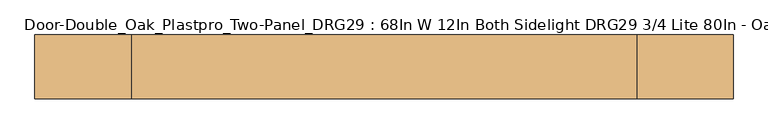
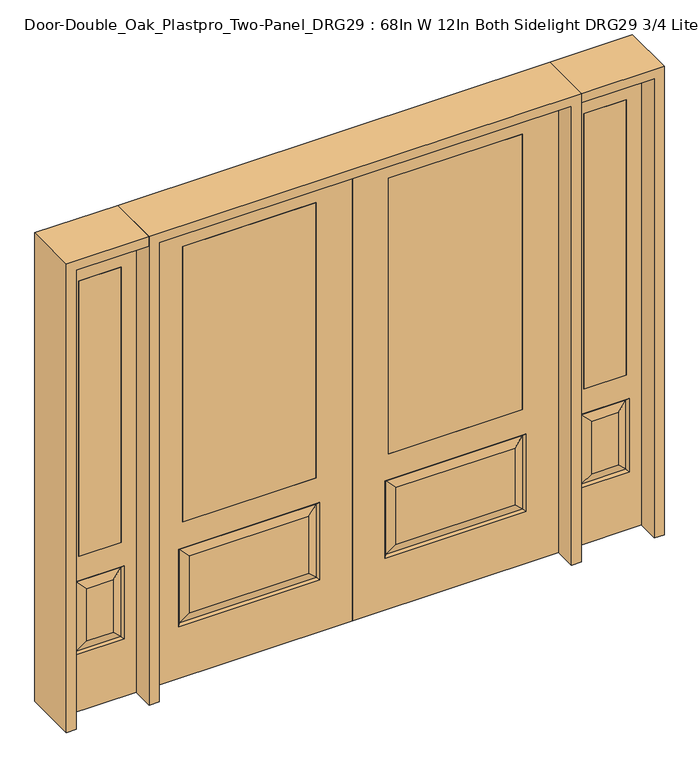
"""IFC4 building model written with IfcOpenShell, lengths in millimetres: door geometry, Door-Double_Oak_Plastpro_Two-Panel_DRG29 : 68In W 12In Both Sidelight DRG29 3/4 Lite 80In - Oak."""

import ifcopenshell
import ifcopenshell.guid

model = None  # the IFC model being written
_history = None  # IfcOwnerHistory: only IFC2X3 demands one
_inside = {}  # id of a spatial element -> (the spatial element, [elements in it])
_under = {}  # id of a project, library or spatial element -> (it, [spatial elements below it])
_declared = {}  # id of a project -> (the project, [libraries it declares])
_typed = {}  # id of a type object -> (the type object, [elements of that type])
_made_of = {}  # id of a material, layer set ... -> (it, [elements and type objects made of it])


def new_model(schema):
    """Start an empty IFC model of exactly this schema.

    Asked for "IFC4X3", IfcOpenShell would pick the latest addendum, in which some entities
    have other attributes; the version numbers below select the first issue.
    IFC2X3 requires an IfcOwnerHistory on every rooted entity: one is made here for all.
    """
    global model, _history
    if schema == "IFC4X3":
        model = ifcopenshell.file(schema_version=(4, 3, 0, 0))
    else:
        model = ifcopenshell.file(schema=schema)
    _inside.clear()
    _under.clear()
    _declared.clear()
    _typed.clear()
    _made_of.clear()
    _history = None
    if model.schema == "IFC2X3":
        org = make("IfcOrganization", Name="unknown")
        user = make(
            "IfcPersonAndOrganization",
            ThePerson=make("IfcPerson", FamilyName="unknown"),
            TheOrganization=org,
        )
        app = make(
            "IfcApplication",
            ApplicationDeveloper=org,
            Version="unknown",
            ApplicationFullName="unknown",
            ApplicationIdentifier="unknown",
        )
        _history = make(
            "IfcOwnerHistory",
            OwningUser=user,
            OwningApplication=app,
            ChangeAction="ADDED",
            CreationDate=0,
        )
    return model


def make(cls, **values):
    """One entity of the class cls with the attributes given. An attribute that is None is left unset."""
    return model.create_entity(
        cls, **{name: value for name, value in values.items() if value is not None}
    )


def rooted(cls, **values):
    """An entity with a GlobalId (a new one), such as an element, a storey or a relation."""
    return make(cls, GlobalId=ifcopenshell.guid.new(), OwnerHistory=_history, **values)


def si_unit(unit_type, name, prefix=None):
    """IfcSIUnit, for example si_unit("LENGTHUNIT", "METRE", prefix="MILLI")."""
    return make("IfcSIUnit", UnitType=unit_type, Prefix=prefix, Name=name)


def assignment(units):
    """IfcUnitAssignment: the units of a project."""
    return None if units is None else make("IfcUnitAssignment", Units=units)


def point(xyz):
    """IfcCartesianPoint."""
    return None if xyz is None else make("IfcCartesianPoint", Coordinates=xyz)


def direction(xyz):
    """IfcDirection."""
    return None if xyz is None else make("IfcDirection", DirectionRatios=xyz)


def frame(location, z_axis=None, x_axis=None):
    """IfcAxis2Placement3D, a coordinate frame: its origin and axes. An axis left out is left unset."""
    return make(
        "IfcAxis2Placement3D",
        Location=point(location),
        Axis=direction(z_axis),
        RefDirection=direction(x_axis),
    )


def origin():
    """The frame at (0, 0, 0) with its axes left unset."""
    return frame((0.0, 0.0, 0.0))


def place(relative_to, where):
    """IfcLocalPlacement: puts the frame where relative to a parent placement (None: the world)."""
    return make(
        "IfcLocalPlacement", PlacementRelTo=relative_to, RelativePlacement=where
    )


def context(
    kind, dimensions, precision=None, world=None, true_north=None, identifier=None
):
    """IfcGeometricRepresentationContext, for example the 3D "Model" context."""
    return make(
        "IfcGeometricRepresentationContext",
        ContextIdentifier=identifier,
        ContextType=kind,
        CoordinateSpaceDimension=dimensions,
        Precision=precision,
        WorldCoordinateSystem=world,
        TrueNorth=true_north,
    )


def project(units=None, contexts=None):
    """IfcProject with its units and contexts."""
    return rooted(
        "IfcProject",
        Name="project",
        RepresentationContexts=contexts,
        UnitsInContext=assignment(units),
    )


def spatial(cls, under=None, at=None, **own):
    """A site, building, storey or space (cls), placed at a placement, below another one or the project."""
    s = rooted(cls, ObjectPlacement=at, **own)
    if under is not None:
        _under.setdefault(under.id(), (under, []))[1].append(s)
    return s


def polyline(points):
    """IfcPolyline through the points."""
    return make("IfcPolyline", Points=[point(p) for p in points])


def outline(outer, holes=None, kind="AREA"):
    """IfcArbitraryClosedProfileDef: a profile drawn as a closed curve; with holes, ...WithVoids."""
    if holes is None:
        return make("IfcArbitraryClosedProfileDef", ProfileType=kind, OuterCurve=outer)
    return make(
        "IfcArbitraryProfileDefWithVoids",
        ProfileType=kind,
        OuterCurve=outer,
        InnerCurves=holes,
    )


def extrude(swept, where, along, depth):
    """IfcExtrudedAreaSolid: the profile swept, set in the frame where, extruded along a direction by depth."""
    return make(
        "IfcExtrudedAreaSolid",
        SweptArea=swept,
        Position=where,
        ExtrudedDirection=direction(along),
        Depth=depth,
    )


def faces_of(points, faces, orient=None, outer=None):
    """IfcFace entities. A face is a list of loops; a loop is a list of indices into points, from 0.

    orient and outer hold one flag for each loop. By default every Orientation is true, the
    first loop of a face is its IfcFaceOuterBound and the others are IfcFaceBound.
    """
    made = []
    for i, loops in enumerate(faces):
        bounds = []
        for j, loop in enumerate(loops):
            is_outer = j == 0 if outer is None else outer[i][j]
            bounds.append(
                make(
                    "IfcFaceOuterBound" if is_outer else "IfcFaceBound",
                    Bound=make("IfcPolyLoop", Polygon=[points[k] for k in loop]),
                    Orientation=True if orient is None else orient[i][j],
                )
            )
        made.append(make("IfcFace", Bounds=bounds))
    return made


def faceted_brep(points, faces, orient=None, outer=None, voids=None):
    """IfcFacetedBrep: a solid bounded by flat faces; with voids (closed shells), ...WithVoids."""
    shared = [point(p) for p in points]
    hull = make("IfcClosedShell", CfsFaces=faces_of(shared, faces, orient, outer))
    if voids is None:
        return make("IfcFacetedBrep", Outer=hull)
    return make(
        "IfcFacetedBrepWithVoids",
        Outer=hull,
        Voids=[
            make(cls, CfsFaces=faces_of(shared, fs, o, b)) for cls, fs, o, b in voids
        ],
    )


def shape(context_of_items, identifier, shape_type, items):
    """IfcShapeRepresentation: the items that make up one representation, for example the "Body"."""
    return make(
        "IfcShapeRepresentation",
        ContextOfItems=context_of_items,
        RepresentationIdentifier=identifier,
        RepresentationType=shape_type,
        Items=items,
    )


def source(mapping_origin, context_of_items, identifier, shape_type, items):
    """IfcRepresentationMap: a shape defined once, which mapped items show again and again."""
    return make(
        "IfcRepresentationMap",
        MappingOrigin=mapping_origin,
        MappedRepresentation=shape(context_of_items, identifier, shape_type, items),
    )


def transform(
    local_origin,
    x_axis=None,
    y_axis=None,
    z_axis=None,
    scale=None,
    scale2=None,
    scale3=None,
    uniform=True,
):
    """IfcCartesianTransformationOperator3D, or its non-uniform kind. x_axis, y_axis, z_axis: its Axis1, 2, 3."""
    if uniform:
        return make(
            "IfcCartesianTransformationOperator3D",
            Axis1=direction(x_axis),
            Axis2=direction(y_axis),
            LocalOrigin=point(local_origin),
            Scale=scale,
            Axis3=direction(z_axis),
        )
    return make(
        "IfcCartesianTransformationOperator3DnonUniform",
        Axis1=direction(x_axis),
        Axis2=direction(y_axis),
        LocalOrigin=point(local_origin),
        Scale=scale,
        Axis3=direction(z_axis),
        Scale2=scale2,
        Scale3=scale3,
    )


def mapped(mapping_source, mapping_target):
    """IfcMappedItem: shows the shape of a source again, moved by a transform."""
    return make(
        "IfcMappedItem", MappingSource=mapping_source, MappingTarget=mapping_target
    )


def made_of(thing, what):
    """Note that an element or type object is made of a material, layer set ...; save() writes the relation."""
    if what is not None:
        _made_of.setdefault(what.id(), (what, []))[1].append(thing)
    return thing


def element(
    cls,
    number,
    at=None,
    inside=None,
    cuts=None,
    type_object=None,
    material=None,
    context=None,
    identifier="Body",
    shape_type=None,
    held_by="IfcProductDefinitionShape",
    body=None,
    shapes=None,
    **own,
):
    """One element of the class cls, such as IfcWall. Its Tag is "e" and its number.

    at: its placement. inside: the storey or other place that contains it. cuts: it is an
    opening in that element (IfcRelVoidsElement). A single representation is given by context,
    identifier, shape_type and body (its items); several are given by shapes. held_by: the class
    of the entity that holds the representations. save() writes the other relations.
    """
    e = rooted(cls, Tag="e%d" % number, ObjectPlacement=at, **own)
    if body is not None:
        shapes = [shape(context, identifier, shape_type, body)]
    if shapes is not None:
        e.Representation = make(held_by, Representations=shapes)
    if inside is not None:
        _inside.setdefault(inside.id(), (inside, []))[1].append(e)
    if cuts is not None:
        rooted(
            "IfcRelVoidsElement", RelatingBuildingElement=cuts, RelatedOpeningElement=e
        )
    if type_object is not None:
        _typed.setdefault(type_object.id(), (type_object, []))[1].append(e)
    return made_of(e, material)


def aggregate(whole, parts):
    """IfcRelAggregates: a whole, such as a stair, and the parts it consists of."""
    return rooted("IfcRelAggregates", RelatingObject=whole, RelatedObjects=parts)


def save(model, path):
    """Write the relations noted so far, then the file.

    IfcRelAggregates (storeys below a building ...), IfcRelContainedInSpatialStructure (elements
    in a storey), IfcRelDefinesByType, IfcRelAssociatesMaterial and IfcRelDeclares: one each for
    every whole, place, type object, material and project.
    """
    for whole, parts in _under.values():
        aggregate(whole, parts)
    for where, things in _inside.values():
        rooted(
            "IfcRelContainedInSpatialStructure",
            RelatedElements=things,
            RelatingStructure=where,
        )
    for kind, things in _typed.values():
        rooted("IfcRelDefinesByType", RelatedObjects=things, RelatingType=kind)
    for what, things in _made_of.values():
        rooted("IfcRelAssociatesMaterial", RelatedObjects=things, RelatingMaterial=what)
    for by, libraries in _declared.values():
        rooted("IfcRelDeclares", RelatingContext=by, RelatedDefinitions=libraries)
    model.write(path)


def door_double_oak_plastpro_two_panel_drg29_68in_w_12in_both_0b9715a9(model_context):
    return source(origin(), model_context, "Body", "SolidModel", [
        extrude(outline(polyline([(711.2, -20.6375), (152.4, -20.6375), (152.4, 20.6375), (711.2, 20.6375), (711.2, -20.6375)])), frame((0.0, 0.0, 685.8), z_axis=(0.0, 0.0, 1.0), x_axis=(1.0, 0.0, 0.0)), (0.0, 0.0, 1.0), 1219.2),
        faceted_brep([(680.9224548, -20.6375, 274.7525452), (680.9224548, -20.6375, 525.3474548), (182.6775452, -20.6375, 525.3474548), (182.6775452, -20.6375, 274.7525452), (0.0, -20.6375, 2032.0), (0.0, -20.6375, 0.0), (863.6, -20.6375, 0.0), (863.6, -20.6375, 2032.0), (136.6400452, -20.6375, 228.7150452), (136.6400452, -20.6375, 571.3849548), (726.9599548, -20.6375, 571.3849548), (726.9599548, -20.6375, 228.7150452), (711.2, -20.6375, 1905.0), (711.2, -20.6375, 685.8), (152.4, -20.6375, 685.8), (152.4, -20.6375, 1905.0), (711.2, 20.6375, 1905.0), (711.2, 20.6375, 685.8), (152.4, 20.6375, 685.8), (182.6775452, 20.6375, 274.7525452), (182.6775452, 20.6375, 525.3474548), (680.9224548, 20.6375, 525.3474548), (680.9224548, 20.6375, 274.7525452), (863.6, 20.6375, 2032.0), (863.6, 20.6375, 0.0), (0.0, 20.6375, 0.0), (0.0, 20.6375, 2032.0), (726.9599548, 20.6375, 228.7150452), (726.9599548, 20.6375, 571.3849548), (136.6400452, 20.6375, 571.3849548), (136.6400452, 20.6375, 228.7150452), (152.4, 20.6375, 1905.0), (145.6203014, -11.6572439, 237.6953014), (717.9796986, -11.6572439, 237.6953014), (717.9796986, -11.6572439, 562.4046986), (145.6203014, -11.6572439, 562.4046986), (145.6203014, 11.6572439, 237.6953014), (717.9796986, 11.6572439, 237.6953014), (717.9796986, 11.6572439, 562.4046986), (145.6203014, 11.6572439, 562.4046986)], [[[0, 1, 2, 3]], [[4, 5, 6, 7], [8, 9, 10, 11], [12, 13, 14, 15]], [[16, 17, 13, 12]], [[17, 18, 14, 13]], [[19, 20, 21, 22]], [[23, 24, 25, 26], [27, 28, 29, 30], [31, 18, 17, 16]], [[15, 14, 18, 31]], [[6, 5, 25, 24]], [[7, 6, 24, 23]], [[26, 25, 5, 4]], [[32, 8, 11, 33]], [[11, 10, 34, 33]], [[10, 9, 35, 34]], [[32, 35, 9, 8]], [[33, 0, 3, 32]], [[3, 2, 35, 32]], [[34, 35, 2, 1]], [[33, 34, 1, 0]], [[36, 19, 22, 37]], [[22, 21, 38, 37]], [[21, 20, 39, 38]], [[36, 39, 20, 19]], [[37, 27, 30, 36]], [[30, 29, 39, 36]], [[38, 39, 29, 28]], [[37, 38, 28, 27]], [[12, 15, 31, 16]], [[7, 23, 26, 4]]]),
        extrude(outline(polyline([(-711.2, -20.6375), (-711.2, 20.6375), (-152.4, 20.6375), (-152.4, -20.6375), (-711.2, -20.6375)])), frame((0.0, 0.0, 685.8), z_axis=(0.0, 0.0, 1.0), x_axis=(1.0, 0.0, 0.0)), (0.0, 0.0, 1.0), 1219.2),
        faceted_brep([(-680.9224548, -20.6375, 274.7525452), (-182.6775452, -20.6375, 274.7525452), (-182.6775452, -20.6375, 525.3474548), (-680.9224548, -20.6375, 525.3474548), (0.0, -20.6375, 2032.0), (-863.6, -20.6375, 2032.0), (-863.6, -20.6375, 0.0), (0.0, -20.6375, 0.0), (-136.6400452, -20.6375, 228.7150452), (-726.9599548, -20.6375, 228.7150452), (-726.9599548, -20.6375, 571.3849548), (-136.6400452, -20.6375, 571.3849548), (-711.2, -20.6375, 1905.0), (-152.4, -20.6375, 1905.0), (-152.4, -20.6375, 685.8), (-711.2, -20.6375, 685.8), (-711.2, 20.6375, 1905.0), (-711.2, 20.6375, 685.8), (-152.4, 20.6375, 685.8), (-182.6775452, 20.6375, 274.7525452), (-680.9224548, 20.6375, 274.7525452), (-680.9224548, 20.6375, 525.3474548), (-182.6775452, 20.6375, 525.3474548), (-863.6, 20.6375, 2032.0), (0.0, 20.6375, 2032.0), (0.0, 20.6375, 0.0), (-863.6, 20.6375, 0.0), (-726.9599548, 20.6375, 228.7150452), (-136.6400452, 20.6375, 228.7150452), (-136.6400452, 20.6375, 571.3849548), (-726.9599548, 20.6375, 571.3849548), (-152.4, 20.6375, 1905.0), (-145.6203014, -11.6572439, 237.6953014), (-717.9796986, -11.6572439, 237.6953014), (-717.9796986, -11.6572439, 562.4046986), (-145.6203014, -11.6572439, 562.4046986), (-145.6203014, 11.6572439, 237.6953014), (-717.9796986, 11.6572439, 237.6953014), (-717.9796986, 11.6572439, 562.4046986), (-145.6203014, 11.6572439, 562.4046986)], [[[0, 1, 2, 3]], [[4, 5, 6, 7], [8, 9, 10, 11], [12, 13, 14, 15]], [[16, 12, 15, 17]], [[17, 15, 14, 18]], [[19, 20, 21, 22]], [[23, 24, 25, 26], [27, 28, 29, 30], [31, 16, 17, 18]], [[13, 31, 18, 14]], [[6, 26, 25, 7]], [[5, 23, 26, 6]], [[24, 4, 7, 25]], [[32, 33, 9, 8]], [[9, 33, 34, 10]], [[10, 34, 35, 11]], [[32, 8, 11, 35]], [[33, 32, 1, 0]], [[1, 32, 35, 2]], [[34, 3, 2, 35]], [[33, 0, 3, 34]], [[36, 37, 20, 19]], [[20, 37, 38, 21]], [[21, 38, 39, 22]], [[36, 19, 22, 39]], [[37, 36, 28, 27]], [[28, 36, 39, 29]], [[38, 30, 29, 39]], [[37, 27, 30, 38]], [[12, 16, 31, 13]], [[5, 4, 24, 23]]]),
        extrude(outline(polyline([(1146.175, -20.6375), (968.375, -20.6375), (968.375, 20.6375), (1146.175, 20.6375), (1146.175, -20.6375)])), frame((0.0, 0.0, 685.8), z_axis=(0.0, 0.0, 1.0), x_axis=(1.0, 0.0, 0.0)), (0.0, 0.0, 1.0), 1219.2),
        faceted_brep([(1146.175, -20.6375, 1905.0), (968.375, -20.6375, 1905.0), (968.375, 20.6375, 1905.0), (1146.175, 20.6375, 1905.0), (1112.7224548, -20.6375, 531.6974548), (1001.8275452, -20.6375, 531.6974548), (1001.8275452, -20.6375, 300.1525452), (1112.7224548, -20.6375, 300.1525452), (904.875, -20.6375, 2032.0), (904.875, -20.6375, 0.0), (1209.675, -20.6375, 0.0), (1209.675, -20.6375, 2032.0), (1146.175, -20.6375, 685.8), (968.375, -20.6375, 685.8), (1158.7599548, -20.6375, 254.1150452), (955.7900452, -20.6375, 254.1150452), (955.7900452, -20.6375, 577.7349548), (1158.7599548, -20.6375, 577.7349548), (1149.7796986, 11.6572439, 568.7546986), (1158.7599548, 20.6375, 577.7349548), (1158.7599548, 20.6375, 254.1150452), (1149.7796986, 11.6572439, 263.0953014), (964.7703014, 11.6572439, 568.7546986), (955.7900452, 20.6375, 577.7349548), (1112.7224548, 20.6375, 300.1525452), (1112.7224548, 20.6375, 531.6974548), (1146.175, 20.6375, 685.8), (968.375, 20.6375, 685.8), (964.7703014, -11.6572439, 263.0953014), (1149.7796986, -11.6572439, 263.0953014), (964.7703014, -11.6572439, 568.7546986), (1149.7796986, -11.6572439, 568.7546986), (904.875, 20.6375, 2032.0), (1209.675, 20.6375, 2032.0), (904.875, 20.6375, 0.0), (1209.675, 20.6375, 0.0), (955.7900452, 20.6375, 254.1150452), (1001.8275452, 20.6375, 300.1525452), (1001.8275452, 20.6375, 531.6974548), (964.7703014, 11.6572439, 263.0953014)], [[[0, 1, 2, 3]], [[4, 5, 6, 7]], [[8, 9, 10, 11], [0, 12, 13, 1], [14, 15, 16, 17]], [[18, 19, 20, 21]], [[18, 22, 23, 19]], [[21, 24, 25, 18]], [[26, 27, 13, 12]], [[7, 6, 28, 29]], [[6, 5, 30, 28]], [[29, 14, 17, 31]], [[32, 8, 11, 33]], [[34, 35, 10, 9]], [[32, 34, 9, 8]], [[11, 10, 35, 33]], [[33, 35, 34, 32], [19, 23, 36, 20], [2, 27, 26, 3]], [[24, 37, 38, 25]], [[20, 36, 39, 21]], [[36, 23, 22, 39]], [[25, 38, 22, 18]], [[39, 22, 38, 37]], [[21, 39, 37, 24]], [[3, 26, 12, 0]], [[1, 13, 27, 2]], [[31, 4, 7, 29]], [[31, 30, 5, 4]], [[17, 16, 30, 31]], [[28, 30, 16, 15]], [[29, 28, 15, 14]]]),
        extrude(outline(polyline([(-1146.175, -20.6375), (-1146.175, 20.6375), (-968.375, 20.6375), (-968.375, -20.6375), (-1146.175, -20.6375)])), frame((0.0, 0.0, 685.8), z_axis=(0.0, 0.0, 1.0), x_axis=(1.0, 0.0, 0.0)), (0.0, 0.0, 1.0), 1219.2),
        faceted_brep([(-1146.175, -20.6375, 1905.0), (-1146.175, 20.6375, 1905.0), (-968.375, 20.6375, 1905.0), (-968.375, -20.6375, 1905.0), (-1112.7224548, -20.6375, 531.6974548), (-1112.7224548, -20.6375, 300.1525452), (-1001.8275452, -20.6375, 300.1525452), (-1001.8275452, -20.6375, 531.6974548), (-904.875, -20.6375, 2032.0), (-1209.675, -20.6375, 2032.0), (-1209.675, -20.6375, 0.0), (-904.875, -20.6375, 0.0), (-1158.7599548, -20.6375, 254.1150452), (-1158.7599548, -20.6375, 577.7349548), (-955.7900452, -20.6375, 577.7349548), (-955.7900452, -20.6375, 254.1150452), (-968.375, -20.6375, 685.8), (-1146.175, -20.6375, 685.8), (-1149.7796986, 11.6572439, 568.7546986), (-1149.7796986, 11.6572439, 263.0953014), (-1158.7599548, 20.6375, 254.1150452), (-1158.7599548, 20.6375, 577.7349548), (-955.7900452, 20.6375, 577.7349548), (-964.7703014, 11.6572439, 568.7546986), (-1112.7224548, 20.6375, 531.6974548), (-1112.7224548, 20.6375, 300.1525452), (-1146.175, 20.6375, 685.8), (-968.375, 20.6375, 685.8), (-1149.7796986, -11.6572439, 263.0953014), (-964.7703014, -11.6572439, 263.0953014), (-964.7703014, -11.6572439, 568.7546986), (-1149.7796986, -11.6572439, 568.7546986), (-904.875, 20.6375, 2032.0), (-1209.675, 20.6375, 2032.0), (-904.875, 20.6375, 0.0), (-1209.675, 20.6375, 0.0), (-955.7900452, 20.6375, 254.1150452), (-1001.8275452, 20.6375, 531.6974548), (-1001.8275452, 20.6375, 300.1525452), (-964.7703014, 11.6572439, 263.0953014)], [[[0, 1, 2, 3]], [[4, 5, 6, 7]], [[8, 9, 10, 11], [12, 13, 14, 15], [0, 3, 16, 17]], [[18, 19, 20, 21]], [[18, 21, 22, 23]], [[19, 18, 24, 25]], [[26, 17, 16, 27]], [[5, 28, 29, 6]], [[6, 29, 30, 7]], [[28, 31, 13, 12]], [[32, 33, 9, 8]], [[34, 11, 10, 35]], [[32, 8, 11, 34]], [[9, 33, 35, 10]], [[33, 32, 34, 35], [21, 20, 36, 22], [2, 1, 26, 27]], [[25, 24, 37, 38]], [[20, 19, 39, 36]], [[36, 39, 23, 22]], [[24, 18, 23, 37]], [[39, 38, 37, 23]], [[19, 25, 38, 39]], [[1, 0, 17, 26]], [[3, 2, 27, 16]], [[31, 28, 5, 4]], [[31, 4, 7, 30]], [[13, 31, 30, 14]], [[29, 15, 14, 30]], [[28, 12, 15, 29]]]),
        extrude(outline(polyline([(2032.0, -904.875), (2073.275, -904.875), (2073.275, -1250.95), (0.0, -1250.95), (0.0, -1209.675), (2032.0, -1209.675), (2032.0, -904.875)])), frame((0.0, -114.3, 0.0), z_axis=(0.0, 1.0, 0.0), x_axis=(0.0, 0.0, 1.0)), (0.0, 0.0, 1.0), 228.6),
        extrude(outline(polyline([(2073.275, -904.875), (0.0, -904.875), (0.0, -863.6), (2032.0, -863.6), (2032.0, 863.6), (0.0, 863.6), (0.0, 904.875), (2073.275, 904.875), (2073.275, -904.875)])), frame((0.0, -114.3, 0.0), z_axis=(0.0, 1.0, 0.0), x_axis=(0.0, 0.0, 1.0)), (0.0, 0.0, 1.0), 228.6),
        extrude(outline(polyline([(0.0, 1209.675), (0.0, 1250.95), (2073.275, 1250.95), (2073.275, 904.875), (2032.0, 904.875), (2032.0, 1209.675), (0.0, 1209.675)])), frame((0.0, -114.3, 0.0), z_axis=(0.0, 1.0, 0.0), x_axis=(0.0, 0.0, 1.0)), (0.0, 0.0, 1.0), 228.6),
    ])


if __name__ == "__main__":
    model = new_model("IFC4")
    model_context = context("Model", 3, world=origin())
    ifc_project = project(units=[si_unit("LENGTHUNIT", "METRE", prefix="MILLI")], contexts=[model_context])
    site = spatial("IfcSite", under=ifc_project)
    building = spatial("IfcBuilding", under=site)
    placement = place(None, origin())
    door_double_oak_plastpro_two_panel_drg29_68in_w_12in_both_shape = door_double_oak_plastpro_two_panel_drg29_68in_w_12in_both_0b9715a9(model_context)
    element("IfcDoor", 1, ObjectType="Door-Double_Oak_Plastpro_Two-Panel_DRG29 : 68In W 12In Both Sidelight DRG29 3/4 Lite 80In - Oak", at=placement, inside=building, context=model_context, shape_type="MappedRepresentation", body=[
        mapped(door_double_oak_plastpro_two_panel_drg29_68in_w_12in_both_shape, transform((0.0, 0.0, 0.0), x_axis=(1.0, 0.0, 0.0), y_axis=(0.0, 1.0, 0.0), z_axis=(0.0, 0.0, 1.0))),
    ])
    save(model, "model.ifc")
